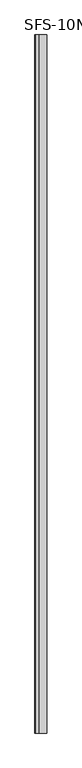
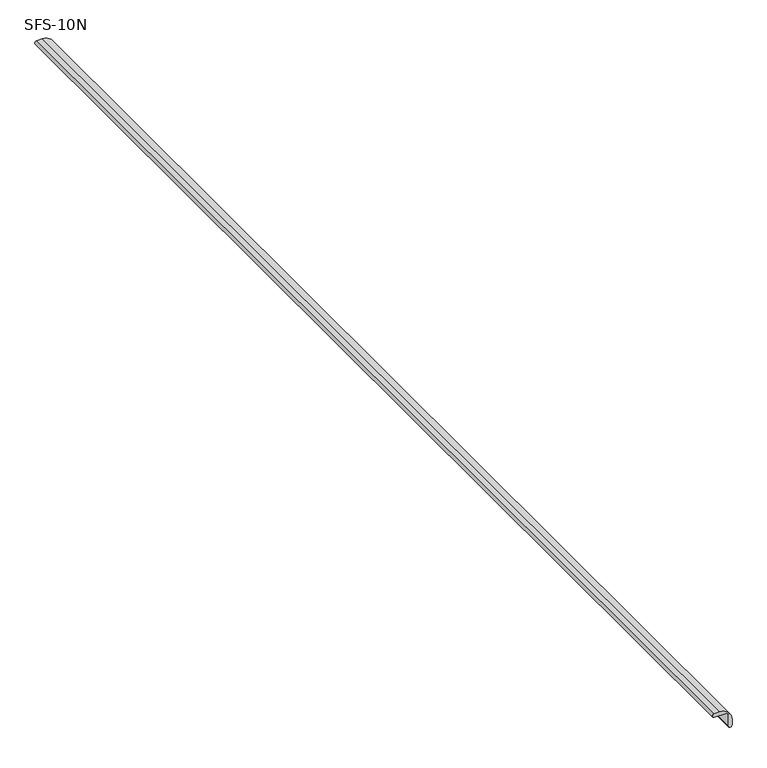
"""IFC4 building model written with IfcOpenShell, lengths in millimetres: proxy geometry, SFS-10N."""

from ifc_helpers import new_model, si_unit, frame, origin, place, context, project, spatial, polyline, circle_curve, source, transform, mapped, element, save
from ifc_brep_helpers import plane_surface, cylinder_surface, revolved_surface, advanced_brep


def sfs_10n_d2e9a94f(model_context):
    return source(origin(), model_context, "Body", "AdvancedBrep", [
        advanced_brep(
        [(-42.7818985, 1879.6, 3.4763797), (-28.0913907, 1879.6, 3.4763797), (3.4203091, 1879.6, -28.0633554), (3.4763797, 1879.6, -42.7818985), (-5.8848125, 1879.6, -43.4366939), (-5.8848125, 1879.6, -13.9474414), (-14.374179, 1879.6, -5.8864254), (-42.7818985, 1879.6, -5.8864254), (-42.7818985, -1141.4125, 3.4763797), (-42.7818985, -1141.4125, -5.8864254), (-14.374179, -1141.4125, -5.8864254), (-5.8848125, -1141.4125, -13.9474414), (-5.8848125, -1141.4125, -43.4366939), (3.4190071, -1141.4125, -42.8082046), (3.4763797, -1141.4125, -28.0353201), (-28.0913907, -1141.4125, 3.4763797)],
        [
            (0, 1),
            (1, 2, circle_curve(frame((-28.1054071, 1879.6, -28.0493364), z_axis=(0.0, 1.0, 0.0), x_axis=(0.9999999011282916, 0.0, -0.0004446834909024716)), 31.5257192)),
            (2, 3),
            (3, 4, circle_curve(frame((-1.261589, 1879.6, -42.6977926), z_axis=(0.0, 1.0, 0.0), x_axis=(0.0, 0.0, -1.0)), 4.6818982)),
            (4, 5),
            (5, 6, circle_curve(frame((-13.9566352, 1879.6, -13.9474414), z_axis=(0.0, -1.0, 0.0), x_axis=(1.0, 0.0, 0.0)), 8.0718228)),
            (6, 7),
            (7, 0, circle_curve(frame((-42.6846317, 1879.6, -1.2050228), z_axis=(0.0, 1.0, 0.0), x_axis=(-0.020772783356589872, 0.0, 0.9997842224558359)), 4.6824129)),
            (8, 9, circle_curve(frame((-42.6846317, -1141.4125, -1.2050228), z_axis=(0.0, -1.0, 0.0), x_axis=(-0.020772783356589872, 0.0, 0.9997842224558359)), 4.6824129)),
            (9, 10),
            (10, 11, circle_curve(frame((-13.9566352, -1141.4125, -13.9474414), z_axis=(0.0, 1.0, 0.0), x_axis=(1.0, 0.0, 0.0)), 8.0718228)),
            (11, 12),
            (12, 13, circle_curve(frame((-1.261589, -1141.4125, -42.6977926), z_axis=(0.0, -1.0, 0.0), x_axis=(0.0, 0.0, -1.0)), 4.6818982)),
            (13, 14),
            (14, 15, circle_curve(frame((-28.1054071, -1141.4125, -28.0493364), z_axis=(0.0, -1.0, 0.0), x_axis=(0.9999999011282916, 0.0, -0.0004446834909024716)), 31.5257192)),
            (15, 8),
            (1, 15),
            (14, 2),
            (13, 3),
            (12, 4),
            (6, 10),
            (9, 7),
            (0, 8),
            (11, 5),
        ],
        [
            plane_surface(frame((0.0, 1879.6, 0.0), z_axis=(0.0, 1.0, 0.0), x_axis=(0.0, 0.0, 1.0))),
            plane_surface(frame((0.0, -1141.4125, 0.0), z_axis=(0.0, -1.0, 0.0), x_axis=(0.0, 0.0, 1.0))),
            cylinder_surface(frame((-28.1054071, 1879.6, -28.0493364), z_axis=(0.0, 1.0, 0.0), x_axis=(0.9999999011282916, 0.0, -0.0004446834909024716)), 31.5257192),
            plane_surface(frame((3.4763797, 1879.6, -28.0353201), z_axis=(1.0, 0.0, 0.0), x_axis=(0.0, -1.0, 0.0))),
            cylinder_surface(frame((-1.261589, 1879.6, -42.6977926), z_axis=(0.0, 1.0, 0.0), x_axis=(0.0, 0.0, -1.0)), 4.6818982),
            plane_surface(frame((-14.374179, 1879.6, -5.8864254), z_axis=(0.0, 0.0, -1.0), x_axis=(0.0, -1.0, 0.0))),
            plane_surface(frame((-42.7818985, 1879.6, 3.4763797), z_axis=(0.0, 0.0, 1.0), x_axis=(0.0, -1.0, 0.0))),
            plane_surface(frame((-5.8848125, 1879.6, -43.4366939), z_axis=(-1.0, 0.0, 0.0), x_axis=(0.0, -1.0, 0.0))),
            revolved_surface(polyline([(-5.8848123999999995, -1141.4125, -13.9474414), (-5.8848123999999995, 1879.6, -13.9474414)]), (-13.9566352, 1879.6, -13.9474414), (0.0, -1.0, 0.0)),
            cylinder_surface(frame((-42.6846317, 1879.6, -1.2050228), z_axis=(0.0, 1.0000000000000002, 0.0), x_axis=(-0.020772783356589872, 0.0, 0.9997842224558359)), 4.6824129),
        ],
        [
            (0, [[1, 2, 3, 4, 5, 6, 7, 8]]),
            (1, [[9, 10, 11, 12, 13, 14, 15, 16]]),
            (2, [[-2, 17, -15, 18]]),
            (3, [[-3, -18, -14, 19]]),
            (4, [[-4, -19, -13, 20]]),
            (5, [[-7, 21, -10, 22]]),
            (6, [[-1, 23, -16, -17]]),
            (7, [[-5, -20, -12, 24]]),
            (8, [[-6, -24, -11, -21]]),
            (9, [[-8, -22, -9, -23]]),
        ],
    ),
    ])


if __name__ == "__main__":
    model = new_model("IFC4")
    model_context = context("Model", 3, world=origin())
    ifc_project = project(units=[si_unit("LENGTHUNIT", "METRE", prefix="MILLI")], contexts=[model_context])
    site = spatial("IfcSite", under=ifc_project)
    building = spatial("IfcBuilding", under=site)
    placement = place(None, origin())
    sfs_10n_shape = sfs_10n_d2e9a94f(model_context)
    element("IfcBuildingElementProxy", 1, Name="SFS-10N", ObjectType="SFS-10N", at=placement, inside=building, context=model_context, shape_type="MappedRepresentation", body=[
        mapped(sfs_10n_shape, transform((0.0, 0.0, 0.0), x_axis=(1.0, 0.0, 0.0), y_axis=(0.0, 1.0, 0.0), z_axis=(0.0, 0.0, 1.0))),
    ])
    save(model, "model.ifc")
